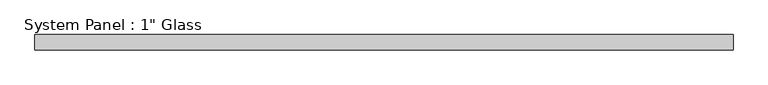
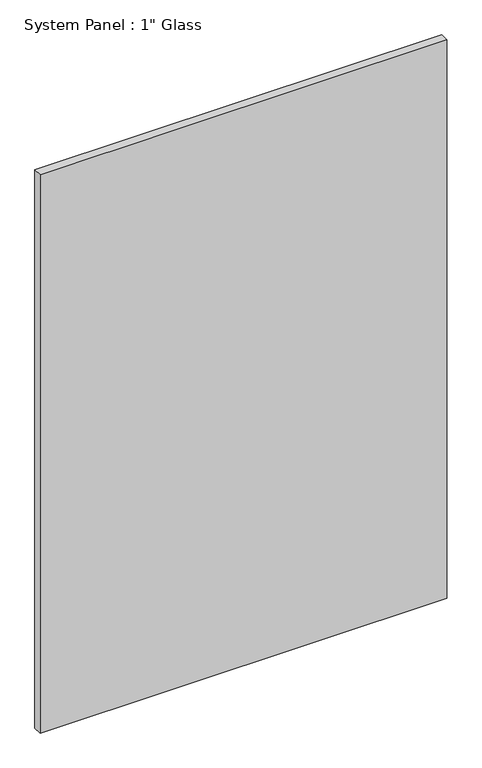
"""IFC4 building model written with IfcOpenShell, lengths in millimetres: plate geometry."""

from ifc_helpers import new_model, si_unit, origin, origin_with_axes, place, context, project, spatial, polyline, outline, extrude, source, transform, mapped, element, save


def plate_eeb4581d(model_context):
    return source(origin(), model_context, "Body", "SweptSolid", [
        extrude(outline(polyline([(583.9401585, -12.7), (-583.9401585, -12.7), (-583.9401585, 12.7), (583.9401585, 12.7), (583.9401585, -12.7)])), origin_with_axes(), (0.0, 0.0, 1.0), 1695.45),
    ])


if __name__ == "__main__":
    model = new_model("IFC4")
    model_context = context("Model", 3, world=origin())
    ifc_project = project(units=[si_unit("LENGTHUNIT", "METRE", prefix="MILLI")], contexts=[model_context])
    site = spatial("IfcSite", under=ifc_project)
    building = spatial("IfcBuilding", under=site)
    placement = place(None, origin())
    plate_shape = plate_eeb4581d(model_context)
    element("IfcPlate", 1, ObjectType="System Panel : 1\" Glass", at=placement, inside=building, context=model_context, shape_type="MappedRepresentation", body=[
        mapped(plate_shape, transform((0.0, 0.0, 0.0), x_axis=(1.0, 0.0, 0.0), y_axis=(0.0, 1.0, 0.0), z_axis=(0.0, 0.0, 1.0))),
    ])
    save(model, "model.ifc")
